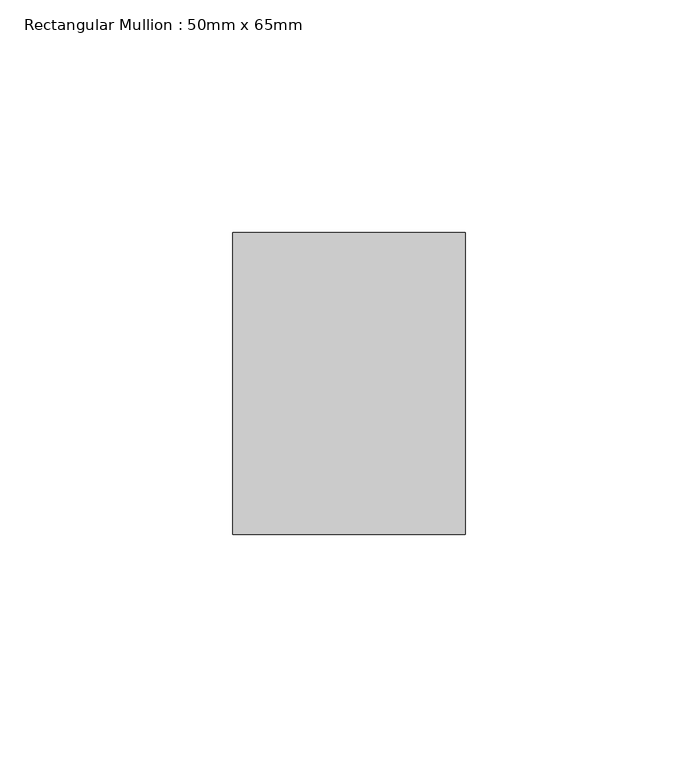
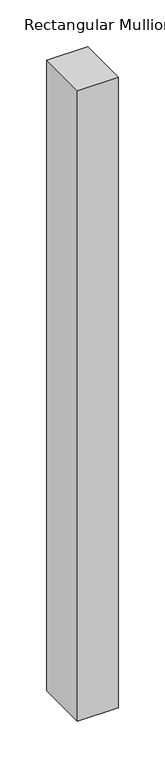
"""IFC4 building model written with IfcOpenShell, lengths in millimetres: member geometry, Rectangular Mullion : 50mm x 65mm."""

from ifc_helpers import new_model, si_unit, frame, origin, place, context, project, spatial, polyline, outline, extrude, source, transform, mapped, element, save


def rectangular_mullion_50mm_x_65mm_934f8ef1(model_context):
    return source(origin(), model_context, "Body", "SweptSolid", [
        extrude(outline(polyline([(0.0, 32.5), (0.0, -32.5), (-50.0, -32.5), (-50.0, 32.5), (0.0, 32.5)])), frame((0.0, 0.0, -820.0), z_axis=(0.0, 0.0, 1.0), x_axis=(1.0, 0.0, 0.0)), (0.0, 0.0, 1.0), 820.0),
    ])


if __name__ == "__main__":
    model = new_model("IFC4")
    model_context = context("Model", 3, world=origin())
    ifc_project = project(units=[si_unit("LENGTHUNIT", "METRE", prefix="MILLI")], contexts=[model_context])
    site = spatial("IfcSite", under=ifc_project)
    building = spatial("IfcBuilding", under=site)
    placement = place(None, origin())
    rectangular_mullion_50mm_x_65mm_shape = rectangular_mullion_50mm_x_65mm_934f8ef1(model_context)
    element("IfcMember", 1, ObjectType="Rectangular Mullion : 50mm x 65mm", at=placement, inside=building, context=model_context, shape_type="MappedRepresentation", body=[
        mapped(rectangular_mullion_50mm_x_65mm_shape, transform((0.0, 0.0, 0.0), x_axis=(1.0, 0.0, 0.0), y_axis=(0.0, 1.0, 0.0), z_axis=(0.0, 0.0, 1.0))),
    ])
    save(model, "model.ifc")
